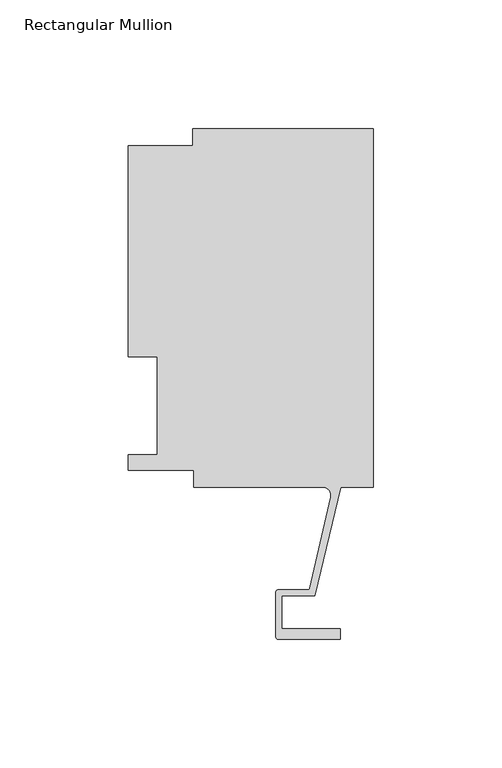
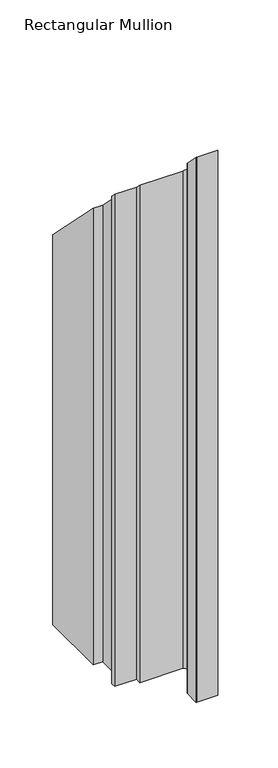
"""IFC4 building model written with IfcOpenShell, lengths in millimetres: member geometry, Rectangular Mullion."""

from ifc_helpers import new_model, si_unit, frame, origin, place, context, project, spatial, polyline, circle_curve, ellipse_curve, source, transform, mapped, element, save
from ifc_brep_helpers import plane_surface, cylinder_surface, revolved_surface, advanced_brep


def rectangular_mullion_e058d488(model_context):
    return source(origin(), model_context, "Body", "AdvancedBrep", [
        advanced_brep(
        [(-70.3072, 133.3497673, -609.6), (0.0, 133.3497673, -609.6), (0.0, -6.2261964, -609.6), (-12.7, -6.2261964, -609.6), (-22.7594087, -48.4980559, -609.6), (-35.5718677, -48.4980559, -609.6), (-35.5718677, -61.4062974, -609.6), (-12.7611926, -61.4062974, -609.6), (-12.7611926, -65.3940974, -609.6), (-37.0704677, -65.3940974, -609.6), (-37.8578677, -64.6066974, -609.6), (-37.8578677, -46.9740559, -609.6), (-37.0958677, -46.2120559, -609.6), (-25.3893173, -46.2120559, -609.6), (-24.6514289, -45.6402261, -609.6), (-16.585275, -10.1039944, -609.6), (-19.681515, -6.2261976, -609.6), (-69.85, -6.2261976, -609.6), (-69.85, 0.4063003, -609.6), (-95.25, 0.4063003, -609.6), (-95.25, 6.35, -609.6), (-84.1375, 6.35, -609.6), (-84.1375, 44.45, -609.6), (-95.25, 44.45, -609.6), (-95.25, 126.6189003, -609.6), (-70.3072, 126.6189003, -609.6), (-70.3072, 133.3497673, -133.3497673), (0.0, 133.3497673, -133.3497673), (-70.3072, 126.6189003, -126.6189003), (-95.25, 126.6189003, -126.6189003), (-95.25, 44.45, -44.45), (-84.1375, 44.45, -44.45), (-84.1375, 6.35, -6.35), (-95.25, 6.35, -6.35), (-95.25, 0.4063003, -0.4063003), (-69.85, 0.4063003, -0.4063003), (-69.85, -6.2261976, 6.2261976), (-19.681515, -6.2261976, 6.2261976), (-16.585275, -10.1039944, 10.1039944), (-24.6514289, -45.6402261, 45.6402261), (-25.3893173, -46.2120559, 46.2120559), (-37.0958677, -46.2120559, 46.2120559), (-37.8578677, -46.9740559, 46.9740559), (-37.8578677, -64.6066974, 64.6066974), (-37.0704677, -65.3940974, 65.3940974), (-12.7611926, -65.3940974, 65.3940974), (-12.7611926, -61.4062974, 61.4062974), (-35.5718677, -61.4062974, 61.4062974), (-35.5718677, -48.4980559, 48.4980559), (-22.7594087, -48.4980559, 48.4980559), (-12.7, -6.2261964, 6.2261964), (0.0, -6.2261964, 6.2261964)],
        [
            (0, 1),
            (1, 2),
            (2, 3),
            (3, 4),
            (4, 5),
            (5, 6),
            (6, 7),
            (7, 8),
            (8, 9),
            (9, 10, circle_curve(frame((-37.0704677, -64.6066974, -609.6), z_axis=(0.0, 0.0, -1.0), x_axis=(0.0, 1.0, 0.0)), 0.7874)),
            (10, 11),
            (11, 12, circle_curve(frame((-37.0958677, -46.9740559, -609.6), z_axis=(0.0, 0.0, -1.0), x_axis=(0.0, 1.0, 0.0)), 0.762)),
            (12, 13),
            (13, 14, circle_curve(frame((-25.3679884, -45.4775786, -609.6), z_axis=(0.0, 0.0, 1.0), x_axis=(0.0, 1.0, 0.0)), 0.7347869)),
            (14, 15),
            (15, 16, circle_curve(frame((-19.681515, -9.4011976, -609.6), z_axis=(0.0, 0.0, 1.0), x_axis=(0.0, 1.0, 0.0)), 3.175)),
            (16, 17),
            (17, 18),
            (18, 19),
            (19, 20),
            (20, 21),
            (21, 22),
            (22, 23),
            (23, 24),
            (24, 25),
            (25, 0),
            (26, 27),
            (27, 1),
            (0, 26),
            (28, 26),
            (25, 28),
            (29, 28),
            (24, 29),
            (30, 29),
            (23, 30),
            (31, 30),
            (22, 31),
            (32, 31),
            (21, 32),
            (33, 32),
            (20, 33),
            (34, 33),
            (19, 34),
            (35, 34),
            (18, 35),
            (36, 35),
            (17, 36),
            (37, 36),
            (16, 37),
            (38, 37, ellipse_curve(frame((-19.681515, -9.4011976, 9.4011976), z_axis=(0.0, 0.7071067811865471, 0.707106781186548), x_axis=(0.0, 0.707106781186548, -0.707106781186547)), 4.4901281, 3.175)),
            (15, 38),
            (39, 38),
            (14, 39),
            (40, 39, ellipse_curve(frame((-25.3679884, -45.4775786, 45.4775786), z_axis=(0.0, 0.7071067811865471, 0.707106781186548), x_axis=(0.0, 0.707106781186548, -0.707106781186547)), 1.0391456, 0.7347869)),
            (13, 40),
            (41, 40),
            (12, 41),
            (42, 41, ellipse_curve(frame((-37.0958677, -46.9740559, 46.9740559), z_axis=(0.0, -0.7071067811865471, -0.707106781186548), x_axis=(0.0, -0.707106781186548, 0.707106781186547)), 1.0776307, 0.762)),
            (11, 42),
            (43, 42),
            (10, 43),
            (44, 43, ellipse_curve(frame((-37.0704677, -64.6066974, 64.6066974), z_axis=(0.0, -0.7071067811865471, -0.707106781186548), x_axis=(0.0, -0.707106781186548, 0.707106781186547)), 1.1135518, 0.7874)),
            (9, 44),
            (45, 44),
            (8, 45),
            (46, 45),
            (7, 46),
            (47, 46),
            (6, 47),
            (48, 47),
            (5, 48),
            (49, 48),
            (4, 49),
            (50, 49),
            (3, 50),
            (51, 50),
            (2, 51),
            (27, 51),
        ],
        [
            plane_surface(frame((0.0, -158.4452852, -609.6), z_axis=(0.0, 0.0, -1.0), x_axis=(-1.0, 0.0, 0.0))),
            plane_surface(frame((0.0, 133.3497673, 0.0), z_axis=(0.0, 1.0, 0.0), x_axis=(0.0, 0.0, -1.0))),
            plane_surface(frame((-70.3072, 133.3497673, 0.0), z_axis=(-1.0, 0.0, 0.0), x_axis=(0.0, 0.0, -1.0))),
            plane_surface(frame((-70.3072, 126.6189003, 0.0), z_axis=(0.0, 1.0, 0.0), x_axis=(0.0, 0.0, -1.0))),
            plane_surface(frame((-95.25, 126.6189003, 0.0), z_axis=(-1.0, 0.0, 0.0), x_axis=(0.0, 0.0, -1.0))),
            plane_surface(frame((-95.25, 44.45, 0.0), z_axis=(0.0, -1.0, 0.0), x_axis=(0.0, 0.0, -1.0))),
            plane_surface(frame((-84.1375, 44.45, 0.0), z_axis=(-1.0, 0.0, 0.0), x_axis=(0.0, 0.0, -1.0))),
            plane_surface(frame((-84.1375, 6.35, 0.0), z_axis=(0.0, 1.0, 0.0), x_axis=(0.0, 0.0, -1.0))),
            plane_surface(frame((-95.25, 6.35, 0.0), z_axis=(-1.0, 0.0, 0.0), x_axis=(0.0, 0.0, -1.0))),
            plane_surface(frame((-95.25, 0.4063003, 0.0), z_axis=(0.0, -1.0, 0.0), x_axis=(0.0, 0.0, -1.0))),
            plane_surface(frame((-69.85, 0.4063003, 0.0), z_axis=(-1.0, 0.0, 0.0), x_axis=(0.0, 0.0, -1.0))),
            plane_surface(frame((-69.85, -6.2261976, 0.0), z_axis=(0.0, -1.0, 0.0), x_axis=(0.0, 0.0, -1.0))),
            revolved_surface(polyline([(-19.681515, -6.2261976, -609.6), (-19.681515, -6.2261976, 12.576197627906266)]), (-19.681515, -9.4011976, 0.0), (0.0, 0.0, -1.0)),
            plane_surface(frame((-16.585275, -10.1039944, 0.0), z_axis=(-0.9751936808086197, 0.2213533033657647, 0.0), x_axis=(0.0, 0.0, -1.0))),
            revolved_surface(polyline([(-25.3679884, -44.7427917, -609.6), (-25.3679884, -44.7427917, 46.21236550040017)]), (-25.3679884, -45.4775786, 0.0), (0.0, 0.0, -1.0)),
            plane_surface(frame((-25.3893173, -46.2120559, 0.0), z_axis=(0.0, 1.0, 0.0), x_axis=(0.0, 0.0, -1.0))),
            cylinder_surface(frame((-37.0958677, -46.9740559, 0.0), z_axis=(0.0, 0.0, 1.0), x_axis=(0.0, 1.0, 0.0)), 0.762),
            plane_surface(frame((-37.8578677, -46.9740559, 0.0), z_axis=(-1.0, 0.0, 0.0), x_axis=(0.0, 0.0, -1.0))),
            cylinder_surface(frame((-37.0704677, -64.6066974, 0.0), z_axis=(0.0, 0.0, 1.0), x_axis=(0.0, 1.0, 0.0)), 0.7874),
            plane_surface(frame((-37.0704677, -65.3940974, 0.0), z_axis=(0.0, -1.0, 0.0), x_axis=(0.0, 0.0, -1.0))),
            plane_surface(frame((-12.7611926, -65.3940974, 0.0), z_axis=(1.0, 0.0, 0.0), x_axis=(0.0, 0.0, -1.0))),
            plane_surface(frame((-12.7611926, -61.4062974, 0.0), z_axis=(0.0, 1.0, 0.0), x_axis=(0.0, 0.0, -1.0))),
            plane_surface(frame((-35.5718677, -61.4062974, 0.0), z_axis=(1.0, 0.0, 0.0), x_axis=(0.0, 0.0, -1.0))),
            plane_surface(frame((-35.5718677, -48.4980559, 0.0), z_axis=(0.0, -1.0, 0.0), x_axis=(0.0, 0.0, -1.0))),
            plane_surface(frame((-22.7594087, -48.4980559, 0.0), z_axis=(0.9728337932070832, -0.23150466689533117, 0.0), x_axis=(0.0, 0.0, -1.0))),
            plane_surface(frame((-12.7, -6.2261964, 0.0), z_axis=(0.0, -1.0, 0.0), x_axis=(0.0, 0.0, -1.0))),
            plane_surface(frame((0.0, -6.2261964, 0.0), z_axis=(1.0, 0.0, 0.0), x_axis=(0.0, 0.0, -1.0))),
            plane_surface(frame((-304.8, 0.0, 0.0), z_axis=(0.0, 0.7071067811865471, 0.707106781186548), x_axis=(0.0, 0.707106781186548, -0.7071067811865471))),
        ],
        [
            (0, [[1, 2, 3, 4, 5, 6, 7, 8, 9, 10, 11, 12, 13, 14, 15, 16, 17, 18, 19, 20, 21, 22, 23, 24, 25, 26]]),
            (1, [[27, 28, -1, 29]]),
            (2, [[30, -29, -26, 31]]),
            (3, [[32, -31, -25, 33]]),
            (4, [[34, -33, -24, 35]]),
            (5, [[36, -35, -23, 37]]),
            (6, [[38, -37, -22, 39]]),
            (7, [[40, -39, -21, 41]]),
            (8, [[42, -41, -20, 43]]),
            (9, [[44, -43, -19, 45]]),
            (10, [[46, -45, -18, 47]]),
            (11, [[48, -47, -17, 49]]),
            (12, [[50, -49, -16, 51]]),
            (13, [[52, -51, -15, 53]]),
            (14, [[54, -53, -14, 55]]),
            (15, [[56, -55, -13, 57]]),
            (16, [[58, -57, -12, 59]]),
            (17, [[60, -59, -11, 61]]),
            (18, [[62, -61, -10, 63]]),
            (19, [[64, -63, -9, 65]]),
            (20, [[66, -65, -8, 67]]),
            (21, [[68, -67, -7, 69]]),
            (22, [[70, -69, -6, 71]]),
            (23, [[72, -71, -5, 73]]),
            (24, [[74, -73, -4, 75]]),
            (25, [[76, -75, -3, 77]]),
            (26, [[78, -77, -2, -28]]),
            (27, [[-30, -32, -34, -36, -38, -40, -42, -44, -46, -48, -50, -52, -54, -56, -58, -60, -62, -64, -66, -68, -70, -72, -74, -76, -78, -27]]),
        ],
    ),
    ])


if __name__ == "__main__":
    model = new_model("IFC4")
    model_context = context("Model", 3, world=origin())
    ifc_project = project(units=[si_unit("LENGTHUNIT", "METRE", prefix="MILLI")], contexts=[model_context])
    site = spatial("IfcSite", under=ifc_project)
    building = spatial("IfcBuilding", under=site)
    placement = place(None, origin())
    rectangular_mullion_shape = rectangular_mullion_e058d488(model_context)
    element("IfcMember", 1, ObjectType="Rectangular Mullion", at=placement, inside=building, context=model_context, shape_type="MappedRepresentation", body=[
        mapped(rectangular_mullion_shape, transform((0.0, 0.0, 0.0), x_axis=(1.0, 0.0, 0.0), y_axis=(0.0, 1.0, 0.0), z_axis=(0.0, 0.0, 1.0))),
    ])
    save(model, "model.ifc")
